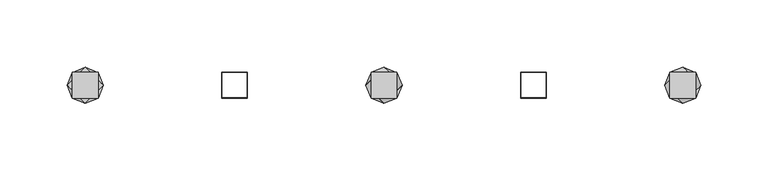
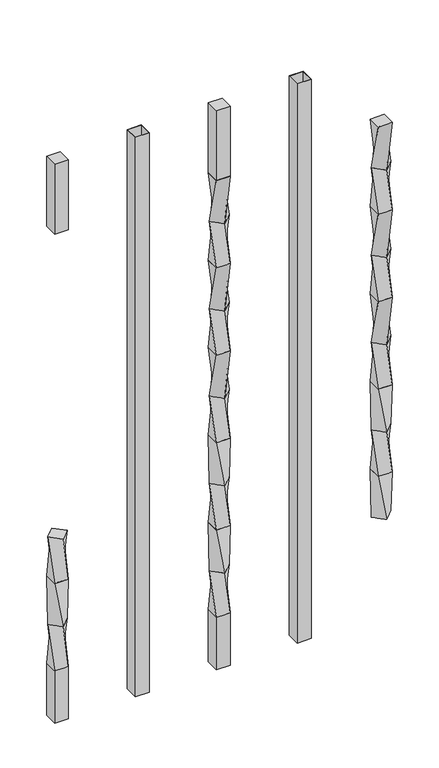
"""IFC4 building model written with IfcOpenShell, lengths in millimetres: railing geometry."""

from ifc_helpers import new_model, si_unit, frame, origin, place, context, project, spatial, polyline, outline, extrude, source, transform, mapped, element, save
from ifc_brep_helpers import plane_surface, spline_surface, advanced_brep


def railing_43d77773(model_context):
    return source(origin(), model_context, "Body", "SolidModel", [
        advanced_brep(
        [(17648.1878122, -60563.4367982, 368.2958781), (17661.6581964, -60549.966414, 368.2958781), (17648.1878122, -60536.4960298, 368.2958781), (17634.717428, -60549.966414, 368.2958781), (17657.7128122, -60559.491414, 304.7958781), (17638.6628122, -60559.491414, 304.7958781), (17638.6628122, -60540.441414, 304.7958781), (17657.7128122, -60540.441414, 304.7958781)],
        [
            (0, 1),
            (1, 2),
            (2, 3),
            (3, 0),
            (4, 5),
            (5, 6),
            (6, 7),
            (7, 4),
            (7, 1),
            (0, 4),
            (6, 2),
            (5, 3),
        ],
        [
            plane_surface(frame((17648.1878122, -60549.966414, 368.2958781), z_axis=(0.0, 0.0, 1.0), x_axis=(0.7071067811865477, -0.7071067811865475, 0.0))),
            plane_surface(frame((17648.1878122, -60549.966414, 304.7958781), z_axis=(0.0, 0.0, -1.0), x_axis=(0.7071067811865477, -0.7071067811865475, 0.0))),
            spline_surface(1, 1, [[(17657.7128122, -60559.491414, 304.7958781), (17648.1878122, -60563.4367982, 368.2958781)], [(17657.7128122, -60540.441414, 304.7958781), (17661.6581964, -60549.966414, 368.2958781)]], [2, 2], [2, 2], [0.0, 1.0], [0.0, 1.0]),
            spline_surface(1, 1, [[(17657.7128122, -60540.441414, 304.7958781), (17661.6581964, -60549.966414, 368.2958781)], [(17638.6628122, -60540.441414, 304.7958781), (17648.1878122, -60536.4960298, 368.2958781)]], [2, 2], [2, 2], [0.0, 1.0], [0.0, 1.0]),
            spline_surface(1, 1, [[(17638.6628122, -60540.441414, 304.7958781), (17648.1878122, -60536.4960298, 368.2958781)], [(17638.6628122, -60559.491414, 304.7958781), (17634.717428, -60549.966414, 368.2958781)]], [2, 2], [2, 2], [0.0, 1.0], [0.0, 1.0]),
            spline_surface(1, 1, [[(17638.6628122, -60559.491414, 304.7958781), (17634.717428, -60549.966414, 368.2958781)], [(17657.7128122, -60559.491414, 304.7958781), (17648.1878122, -60563.4367982, 368.2958781)]], [2, 2], [2, 2], [0.0, 1.0], [0.0, 1.0]),
        ],
        [
            (0, [[1, 2, 3, 4]]),
            (1, [[5, 6, 7, 8]]),
            (2, [[-8, 9, -1, 10]]),
            (3, [[-7, 11, -2, -9]]),
            (4, [[-6, 12, -3, -11]]),
            (5, [[-5, -10, -4, -12]]),
        ],
    ),
        advanced_brep(
        [(17657.7128122, -60559.491414, 304.7958781), (17657.7128122, -60540.441414, 304.7958781), (17638.6628122, -60540.441414, 304.7958781), (17638.6628122, -60559.491414, 304.7958781), (17661.6581964, -60549.966414, 241.2958781), (17648.1878122, -60563.4367982, 241.2958781), (17634.717428, -60549.966414, 241.2958781), (17648.1878122, -60536.4960298, 241.2958781)],
        [
            (0, 1),
            (1, 2),
            (2, 3),
            (3, 0),
            (4, 5),
            (5, 6),
            (6, 7),
            (7, 4),
            (7, 1),
            (0, 4),
            (6, 2),
            (5, 3),
        ],
        [
            plane_surface(frame((17648.1878122, -60549.966414, 304.7958781), z_axis=(0.0, 0.0, 1.0), x_axis=(0.0, 1.0, 0.0))),
            plane_surface(frame((17648.1878122, -60549.966414, 241.2958781), z_axis=(0.0, 0.0, -1.0), x_axis=(0.0, 1.0, 0.0))),
            spline_surface(1, 1, [[(17661.6581964, -60549.966414, 241.2958781), (17657.7128122, -60559.491414, 304.7958781)], [(17648.1878122, -60536.4960298, 241.2958781), (17657.7128122, -60540.441414, 304.7958781)]], [2, 2], [2, 2], [0.0, 1.0], [0.0, 1.0]),
            spline_surface(1, 1, [[(17648.1878122, -60536.4960298, 241.2958781), (17657.7128122, -60540.441414, 304.7958781)], [(17634.717428, -60549.966414, 241.2958781), (17638.6628122, -60540.441414, 304.7958781)]], [2, 2], [2, 2], [0.0, 1.0], [0.0, 1.0]),
            spline_surface(1, 1, [[(17634.717428, -60549.966414, 241.2958781), (17638.6628122, -60540.441414, 304.7958781)], [(17648.1878122, -60563.4367982, 241.2958781), (17638.6628122, -60559.491414, 304.7958781)]], [2, 2], [2, 2], [0.0, 1.0], [0.0, 1.0]),
            spline_surface(1, 1, [[(17648.1878122, -60563.4367982, 241.2958781), (17638.6628122, -60559.491414, 304.7958781)], [(17661.6581964, -60549.966414, 241.2958781), (17657.7128122, -60559.491414, 304.7958781)]], [2, 2], [2, 2], [0.0, 1.0], [0.0, 1.0]),
        ],
        [
            (0, [[1, 2, 3, 4]]),
            (1, [[5, 6, 7, 8]]),
            (2, [[-8, 9, -1, 10]]),
            (3, [[-7, 11, -2, -9]]),
            (4, [[-6, 12, -3, -11]]),
            (5, [[-5, -10, -4, -12]]),
        ],
    ),
        advanced_brep(
        [(17648.1878122, -60563.4367982, 241.2958781), (17661.6581964, -60549.966414, 241.2958781), (17648.1878122, -60536.4960298, 241.2958781), (17634.717428, -60549.966414, 241.2958781), (17657.7128122, -60559.491414, 177.7958781), (17638.6628122, -60559.491414, 177.7958781), (17638.6628122, -60540.441414, 177.7958781), (17657.7128122, -60540.441414, 177.7958781)],
        [
            (0, 1),
            (1, 2),
            (2, 3),
            (3, 0),
            (4, 5),
            (5, 6),
            (6, 7),
            (7, 4),
            (7, 1),
            (0, 4),
            (6, 2),
            (5, 3),
        ],
        [
            plane_surface(frame((17648.1878122, -60549.966414, 241.2958781), z_axis=(0.0, 0.0, 1.0), x_axis=(0.7071067811865478, 0.7071067811865474, 0.0))),
            plane_surface(frame((17648.1878122, -60549.966414, 177.7958781), z_axis=(0.0, 0.0, -1.0), x_axis=(0.7071067811865478, 0.7071067811865474, 0.0))),
            spline_surface(1, 1, [[(17657.7128122, -60559.491414, 177.7958781), (17648.1878122, -60563.4367982, 241.2958781)], [(17657.7128122, -60540.441414, 177.7958781), (17661.6581964, -60549.966414, 241.2958781)]], [2, 2], [2, 2], [0.0, 1.0], [0.0, 1.0]),
            spline_surface(1, 1, [[(17657.7128122, -60540.441414, 177.7958781), (17661.6581964, -60549.966414, 241.2958781)], [(17638.6628122, -60540.441414, 177.7958781), (17648.1878122, -60536.4960298, 241.2958781)]], [2, 2], [2, 2], [0.0, 1.0], [0.0, 1.0]),
            spline_surface(1, 1, [[(17638.6628122, -60540.441414, 177.7958781), (17648.1878122, -60536.4960298, 241.2958781)], [(17638.6628122, -60559.491414, 177.7958781), (17634.717428, -60549.966414, 241.2958781)]], [2, 2], [2, 2], [0.0, 1.0], [0.0, 1.0]),
            spline_surface(1, 1, [[(17638.6628122, -60559.491414, 177.7958781), (17634.717428, -60549.966414, 241.2958781)], [(17657.7128122, -60559.491414, 177.7958781), (17648.1878122, -60563.4367982, 241.2958781)]], [2, 2], [2, 2], [0.0, 1.0], [0.0, 1.0]),
        ],
        [
            (0, [[1, 2, 3, 4]]),
            (1, [[5, 6, 7, 8]]),
            (2, [[-8, 9, -1, 10]]),
            (3, [[-7, 11, -2, -9]]),
            (4, [[-6, 12, -3, -11]]),
            (5, [[-5, -10, -4, -12]]),
        ],
    ),
        extrude(outline(polyline([(17657.7128122, -60559.491414), (17638.6628122, -60559.491414), (17638.6628122, -60540.441414), (17657.7128122, -60540.441414), (17657.7128122, -60559.491414)])), frame((0.0, 0.0, 812.7958781), z_axis=(0.0, 0.0, 1.0), x_axis=(1.0, 0.0, 0.0)), (0.0, 0.0, 1.0), 101.6041219),
        extrude(outline(polyline([(17657.7128122, -60559.491414), (17638.6628122, -60559.491414), (17638.6628122, -60540.441414), (17657.7128122, -60540.441414), (17657.7128122, -60559.491414)])), frame((0.0, 0.0, 101.5958781), z_axis=(0.0, 0.0, 1.0), x_axis=(1.0, 0.0, 0.0)), (0.0, 0.0, 1.0), 76.2),
        extrude(outline(polyline([(17768.9648122, -60559.491414), (17749.9148122, -60559.491414), (17749.9148122, -60540.441414), (17768.9648122, -60540.441414), (17768.9648122, -60559.491414)]), holes=[polyline([(17768.5679372, -60559.094539), (17768.5679372, -60540.838289), (17750.3116872, -60540.838289), (17750.3116872, -60559.094539), (17768.5679372, -60559.094539)])]), frame((0.0, 0.0, 101.5958781), z_axis=(0.0, 0.0, 1.0), x_axis=(1.0, 0.0, 0.0)), (0.0, 0.0, 1.0), 812.8041219),
        advanced_brep(
        [(17861.1668122, -60559.491414, 812.7958781), (17880.2168122, -60559.491414, 812.7958781), (17880.2168122, -60540.441414, 812.7958781), (17861.1668122, -60540.441414, 812.7958781), (17857.221428, -60549.966414, 749.2958781), (17870.6918122, -60536.4960298, 749.2958781), (17884.1621964, -60549.966414, 749.2958781), (17870.6918122, -60563.4367982, 749.2958781)],
        [
            (0, 1),
            (1, 2),
            (2, 3),
            (3, 0),
            (4, 5),
            (5, 6),
            (6, 7),
            (7, 4),
            (7, 1),
            (0, 4),
            (6, 2),
            (5, 3),
        ],
        [
            plane_surface(frame((17870.6918122, -60549.966414, 812.7958781), z_axis=(0.0, 0.0, 1.0), x_axis=(0.0, 1.0, 0.0))),
            plane_surface(frame((17870.6918122, -60549.966414, 749.2958781), z_axis=(0.0, 0.0, -1.0), x_axis=(0.0, 1.0, 0.0))),
            spline_surface(1, 1, [[(17857.221428, -60549.966414, 749.2958781), (17861.1668122, -60559.491414, 812.7958781)], [(17870.6918122, -60563.4367982, 749.2958781), (17880.2168122, -60559.491414, 812.7958781)]], [2, 2], [2, 2], [0.0, 1.0], [0.0, 1.0]),
            spline_surface(1, 1, [[(17870.6918122, -60563.4367982, 749.2958781), (17880.2168122, -60559.491414, 812.7958781)], [(17884.1621964, -60549.966414, 749.2958781), (17880.2168122, -60540.441414, 812.7958781)]], [2, 2], [2, 2], [0.0, 1.0], [0.0, 1.0]),
            spline_surface(1, 1, [[(17884.1621964, -60549.966414, 749.2958781), (17880.2168122, -60540.441414, 812.7958781)], [(17870.6918122, -60536.4960298, 749.2958781), (17861.1668122, -60540.441414, 812.7958781)]], [2, 2], [2, 2], [0.0, 1.0], [0.0, 1.0]),
            spline_surface(1, 1, [[(17870.6918122, -60536.4960298, 749.2958781), (17861.1668122, -60540.441414, 812.7958781)], [(17857.221428, -60549.966414, 749.2958781), (17861.1668122, -60559.491414, 812.7958781)]], [2, 2], [2, 2], [0.0, 1.0], [0.0, 1.0]),
        ],
        [
            (0, [[1, 2, 3, 4]]),
            (1, [[5, 6, 7, 8]]),
            (2, [[-8, 9, -1, 10]]),
            (3, [[-7, 11, -2, -9]]),
            (4, [[-6, 12, -3, -11]]),
            (5, [[-5, -10, -4, -12]]),
        ],
    ),
        advanced_brep(
        [(17870.6918122, -60563.4367982, 749.2958781), (17884.1621964, -60549.966414, 749.2958781), (17870.6918122, -60536.4960298, 749.2958781), (17857.221428, -60549.966414, 749.2958781), (17880.2168122, -60559.491414, 685.7958781), (17861.1668122, -60559.491414, 685.7958781), (17861.1668122, -60540.441414, 685.7958781), (17880.2168122, -60540.441414, 685.7958781)],
        [
            (0, 1),
            (1, 2),
            (2, 3),
            (3, 0),
            (4, 5),
            (5, 6),
            (6, 7),
            (7, 4),
            (7, 1),
            (0, 4),
            (6, 2),
            (5, 3),
        ],
        [
            plane_surface(frame((17870.6918122, -60549.966414, 749.2958781), z_axis=(0.0, 0.0, 1.0), x_axis=(0.7071067811865477, -0.7071067811865474, 0.0))),
            plane_surface(frame((17870.6918122, -60549.966414, 685.7958781), z_axis=(0.0, 0.0, -1.0), x_axis=(0.7071067811865477, -0.7071067811865474, 0.0))),
            spline_surface(1, 1, [[(17880.2168122, -60559.491414, 685.7958781), (17870.6918122, -60563.4367982, 749.2958781)], [(17880.2168122, -60540.441414, 685.7958781), (17884.1621964, -60549.966414, 749.2958781)]], [2, 2], [2, 2], [0.0, 1.0], [0.0, 1.0]),
            spline_surface(1, 1, [[(17880.2168122, -60540.441414, 685.7958781), (17884.1621964, -60549.966414, 749.2958781)], [(17861.1668122, -60540.441414, 685.7958781), (17870.6918122, -60536.4960298, 749.2958781)]], [2, 2], [2, 2], [0.0, 1.0], [0.0, 1.0]),
            spline_surface(1, 1, [[(17861.1668122, -60540.441414, 685.7958781), (17870.6918122, -60536.4960298, 749.2958781)], [(17861.1668122, -60559.491414, 685.7958781), (17857.221428, -60549.966414, 749.2958781)]], [2, 2], [2, 2], [0.0, 1.0], [0.0, 1.0]),
            spline_surface(1, 1, [[(17861.1668122, -60559.491414, 685.7958781), (17857.221428, -60549.966414, 749.2958781)], [(17880.2168122, -60559.491414, 685.7958781), (17870.6918122, -60563.4367982, 749.2958781)]], [2, 2], [2, 2], [0.0, 1.0], [0.0, 1.0]),
        ],
        [
            (0, [[1, 2, 3, 4]]),
            (1, [[5, 6, 7, 8]]),
            (2, [[-8, 9, -1, 10]]),
            (3, [[-7, 11, -2, -9]]),
            (4, [[-6, 12, -3, -11]]),
            (5, [[-5, -10, -4, -12]]),
        ],
    ),
        advanced_brep(
        [(17861.1668122, -60559.491414, 685.7958781), (17880.2168122, -60559.491414, 685.7958781), (17880.2168122, -60540.441414, 685.7958781), (17861.1668122, -60540.441414, 685.7958781), (17857.221428, -60549.966414, 622.2958781), (17870.6918122, -60536.4960298, 622.2958781), (17884.1621964, -60549.966414, 622.2958781), (17870.6918122, -60563.4367982, 622.2958781)],
        [
            (0, 1),
            (1, 2),
            (2, 3),
            (3, 0),
            (4, 5),
            (5, 6),
            (6, 7),
            (7, 4),
            (7, 1),
            (0, 4),
            (6, 2),
            (5, 3),
        ],
        [
            plane_surface(frame((17870.6918122, -60549.966414, 685.7958781), z_axis=(0.0, 0.0, 1.0), x_axis=(0.0, 1.0, 0.0))),
            plane_surface(frame((17870.6918122, -60549.966414, 622.2958781), z_axis=(0.0, 0.0, -1.0), x_axis=(0.0, 1.0, 0.0))),
            spline_surface(1, 1, [[(17857.221428, -60549.966414, 622.2958781), (17861.1668122, -60559.491414, 685.7958781)], [(17870.6918122, -60563.4367982, 622.2958781), (17880.2168122, -60559.491414, 685.7958781)]], [2, 2], [2, 2], [0.0, 1.0], [0.0, 1.0]),
            spline_surface(1, 1, [[(17870.6918122, -60563.4367982, 622.2958781), (17880.2168122, -60559.491414, 685.7958781)], [(17884.1621964, -60549.966414, 622.2958781), (17880.2168122, -60540.441414, 685.7958781)]], [2, 2], [2, 2], [0.0, 1.0], [0.0, 1.0]),
            spline_surface(1, 1, [[(17884.1621964, -60549.966414, 622.2958781), (17880.2168122, -60540.441414, 685.7958781)], [(17870.6918122, -60536.4960298, 622.2958781), (17861.1668122, -60540.441414, 685.7958781)]], [2, 2], [2, 2], [0.0, 1.0], [0.0, 1.0]),
            spline_surface(1, 1, [[(17870.6918122, -60536.4960298, 622.2958781), (17861.1668122, -60540.441414, 685.7958781)], [(17857.221428, -60549.966414, 622.2958781), (17861.1668122, -60559.491414, 685.7958781)]], [2, 2], [2, 2], [0.0, 1.0], [0.0, 1.0]),
        ],
        [
            (0, [[1, 2, 3, 4]]),
            (1, [[5, 6, 7, 8]]),
            (2, [[-8, 9, -1, 10]]),
            (3, [[-7, 11, -2, -9]]),
            (4, [[-6, 12, -3, -11]]),
            (5, [[-5, -10, -4, -12]]),
        ],
    ),
        advanced_brep(
        [(17870.6918122, -60563.4367982, 622.2958781), (17884.1621964, -60549.966414, 622.2958781), (17870.6918122, -60536.4960298, 622.2958781), (17857.221428, -60549.966414, 622.2958781), (17880.2168122, -60559.491414, 558.7958781), (17861.1668122, -60559.491414, 558.7958781), (17861.1668122, -60540.441414, 558.7958781), (17880.2168122, -60540.441414, 558.7958781)],
        [
            (0, 1),
            (1, 2),
            (2, 3),
            (3, 0),
            (4, 5),
            (5, 6),
            (6, 7),
            (7, 4),
            (7, 1),
            (0, 4),
            (6, 2),
            (5, 3),
        ],
        [
            plane_surface(frame((17870.6918122, -60549.966414, 622.2958781), z_axis=(0.0, 0.0, 1.0), x_axis=(0.7071067811865477, -0.7071067811865475, 0.0))),
            plane_surface(frame((17870.6918122, -60549.966414, 558.7958781), z_axis=(0.0, 0.0, -1.0), x_axis=(0.7071067811865477, -0.7071067811865475, 0.0))),
            spline_surface(1, 1, [[(17880.2168122, -60559.491414, 558.7958781), (17870.6918122, -60563.4367982, 622.2958781)], [(17880.2168122, -60540.441414, 558.7958781), (17884.1621964, -60549.966414, 622.2958781)]], [2, 2], [2, 2], [0.0, 1.0], [0.0, 1.0]),
            spline_surface(1, 1, [[(17880.2168122, -60540.441414, 558.7958781), (17884.1621964, -60549.966414, 622.2958781)], [(17861.1668122, -60540.441414, 558.7958781), (17870.6918122, -60536.4960298, 622.2958781)]], [2, 2], [2, 2], [0.0, 1.0], [0.0, 1.0]),
            spline_surface(1, 1, [[(17861.1668122, -60540.441414, 558.7958781), (17870.6918122, -60536.4960298, 622.2958781)], [(17861.1668122, -60559.491414, 558.7958781), (17857.221428, -60549.966414, 622.2958781)]], [2, 2], [2, 2], [0.0, 1.0], [0.0, 1.0]),
            spline_surface(1, 1, [[(17861.1668122, -60559.491414, 558.7958781), (17857.221428, -60549.966414, 622.2958781)], [(17880.2168122, -60559.491414, 558.7958781), (17870.6918122, -60563.4367982, 622.2958781)]], [2, 2], [2, 2], [0.0, 1.0], [0.0, 1.0]),
        ],
        [
            (0, [[1, 2, 3, 4]]),
            (1, [[5, 6, 7, 8]]),
            (2, [[-8, 9, -1, 10]]),
            (3, [[-7, 11, -2, -9]]),
            (4, [[-6, 12, -3, -11]]),
            (5, [[-5, -10, -4, -12]]),
        ],
    ),
        advanced_brep(
        [(17861.1668122, -60559.491414, 558.7958781), (17880.2168122, -60559.491414, 558.7958781), (17880.2168122, -60540.441414, 558.7958781), (17861.1668122, -60540.441414, 558.7958781), (17857.221428, -60549.966414, 495.2958781), (17870.6918122, -60536.4960298, 495.2958781), (17884.1621964, -60549.966414, 495.2958781), (17870.6918122, -60563.4367982, 495.2958781)],
        [
            (0, 1),
            (1, 2),
            (2, 3),
            (3, 0),
            (4, 5),
            (5, 6),
            (6, 7),
            (7, 4),
            (7, 1),
            (0, 4),
            (6, 2),
            (5, 3),
        ],
        [
            plane_surface(frame((17870.6918122, -60549.966414, 558.7958781), z_axis=(0.0, 0.0, 1.0), x_axis=(0.0, 1.0, 0.0))),
            plane_surface(frame((17870.6918122, -60549.966414, 495.2958781), z_axis=(0.0, 0.0, -1.0), x_axis=(0.0, 1.0, 0.0))),
            spline_surface(1, 1, [[(17857.221428, -60549.966414, 495.2958781), (17861.1668122, -60559.491414, 558.7958781)], [(17870.6918122, -60563.4367982, 495.2958781), (17880.2168122, -60559.491414, 558.7958781)]], [2, 2], [2, 2], [0.0, 1.0], [0.0, 1.0]),
            spline_surface(1, 1, [[(17870.6918122, -60563.4367982, 495.2958781), (17880.2168122, -60559.491414, 558.7958781)], [(17884.1621964, -60549.966414, 495.2958781), (17880.2168122, -60540.441414, 558.7958781)]], [2, 2], [2, 2], [0.0, 1.0], [0.0, 1.0]),
            spline_surface(1, 1, [[(17884.1621964, -60549.966414, 495.2958781), (17880.2168122, -60540.441414, 558.7958781)], [(17870.6918122, -60536.4960298, 495.2958781), (17861.1668122, -60540.441414, 558.7958781)]], [2, 2], [2, 2], [0.0, 1.0], [0.0, 1.0]),
            spline_surface(1, 1, [[(17870.6918122, -60536.4960298, 495.2958781), (17861.1668122, -60540.441414, 558.7958781)], [(17857.221428, -60549.966414, 495.2958781), (17861.1668122, -60559.491414, 558.7958781)]], [2, 2], [2, 2], [0.0, 1.0], [0.0, 1.0]),
        ],
        [
            (0, [[1, 2, 3, 4]]),
            (1, [[5, 6, 7, 8]]),
            (2, [[-8, 9, -1, 10]]),
            (3, [[-7, 11, -2, -9]]),
            (4, [[-6, 12, -3, -11]]),
            (5, [[-5, -10, -4, -12]]),
        ],
    ),
        advanced_brep(
        [(17870.6918122, -60563.4367982, 495.2958781), (17884.1621964, -60549.966414, 495.2958781), (17870.6918122, -60536.4960298, 495.2958781), (17857.221428, -60549.966414, 495.2958781), (17880.2168122, -60559.491414, 431.7958781), (17861.1668122, -60559.491414, 431.7958781), (17861.1668122, -60540.441414, 431.7958781), (17880.2168122, -60540.441414, 431.7958781)],
        [
            (0, 1),
            (1, 2),
            (2, 3),
            (3, 0),
            (4, 5),
            (5, 6),
            (6, 7),
            (7, 4),
            (7, 1),
            (0, 4),
            (6, 2),
            (5, 3),
        ],
        [
            plane_surface(frame((17870.6918122, -60549.966414, 495.2958781), z_axis=(0.0, 0.0, 1.0), x_axis=(0.7071067811865477, -0.7071067811865474, 0.0))),
            plane_surface(frame((17870.6918122, -60549.966414, 431.7958781), z_axis=(0.0, 0.0, -1.0), x_axis=(0.7071067811865477, -0.7071067811865474, 0.0))),
            spline_surface(1, 1, [[(17880.2168122, -60559.491414, 431.7958781), (17870.6918122, -60563.4367982, 495.2958781)], [(17880.2168122, -60540.441414, 431.7958781), (17884.1621964, -60549.966414, 495.2958781)]], [2, 2], [2, 2], [0.0, 1.0], [0.0, 1.0]),
            spline_surface(1, 1, [[(17880.2168122, -60540.441414, 431.7958781), (17884.1621964, -60549.966414, 495.2958781)], [(17861.1668122, -60540.441414, 431.7958781), (17870.6918122, -60536.4960298, 495.2958781)]], [2, 2], [2, 2], [0.0, 1.0], [0.0, 1.0]),
            spline_surface(1, 1, [[(17861.1668122, -60540.441414, 431.7958781), (17870.6918122, -60536.4960298, 495.2958781)], [(17861.1668122, -60559.491414, 431.7958781), (17857.221428, -60549.966414, 495.2958781)]], [2, 2], [2, 2], [0.0, 1.0], [0.0, 1.0]),
            spline_surface(1, 1, [[(17861.1668122, -60559.491414, 431.7958781), (17857.221428, -60549.966414, 495.2958781)], [(17880.2168122, -60559.491414, 431.7958781), (17870.6918122, -60563.4367982, 495.2958781)]], [2, 2], [2, 2], [0.0, 1.0], [0.0, 1.0]),
        ],
        [
            (0, [[1, 2, 3, 4]]),
            (1, [[5, 6, 7, 8]]),
            (2, [[-8, 9, -1, 10]]),
            (3, [[-7, 11, -2, -9]]),
            (4, [[-6, 12, -3, -11]]),
            (5, [[-5, -10, -4, -12]]),
        ],
    ),
        advanced_brep(
        [(17880.2168122, -60559.491414, 431.7958781), (17880.2168122, -60540.441414, 431.7958781), (17861.1668122, -60540.441414, 431.7958781), (17861.1668122, -60559.491414, 431.7958781), (17884.1621964, -60549.966414, 368.2958781), (17870.6918122, -60563.4367982, 368.2958781), (17857.221428, -60549.966414, 368.2958781), (17870.6918122, -60536.4960298, 368.2958781)],
        [
            (0, 1),
            (1, 2),
            (2, 3),
            (3, 0),
            (4, 5),
            (5, 6),
            (6, 7),
            (7, 4),
            (7, 1),
            (0, 4),
            (6, 2),
            (5, 3),
        ],
        [
            plane_surface(frame((17870.6918122, -60549.966414, 431.7958781), z_axis=(0.0, 0.0, 1.0), x_axis=(0.0, 1.0, 0.0))),
            plane_surface(frame((17870.6918122, -60549.966414, 368.2958781), z_axis=(0.0, 0.0, -1.0), x_axis=(0.0, 1.0, 0.0))),
            spline_surface(1, 1, [[(17884.1621964, -60549.966414, 368.2958781), (17880.2168122, -60559.491414, 431.7958781)], [(17870.6918122, -60536.4960298, 368.2958781), (17880.2168122, -60540.441414, 431.7958781)]], [2, 2], [2, 2], [0.0, 1.0], [0.0, 1.0]),
            spline_surface(1, 1, [[(17870.6918122, -60536.4960298, 368.2958781), (17880.2168122, -60540.441414, 431.7958781)], [(17857.221428, -60549.966414, 368.2958781), (17861.1668122, -60540.441414, 431.7958781)]], [2, 2], [2, 2], [0.0, 1.0], [0.0, 1.0]),
            spline_surface(1, 1, [[(17857.221428, -60549.966414, 368.2958781), (17861.1668122, -60540.441414, 431.7958781)], [(17870.6918122, -60563.4367982, 368.2958781), (17861.1668122, -60559.491414, 431.7958781)]], [2, 2], [2, 2], [0.0, 1.0], [0.0, 1.0]),
            spline_surface(1, 1, [[(17870.6918122, -60563.4367982, 368.2958781), (17861.1668122, -60559.491414, 431.7958781)], [(17884.1621964, -60549.966414, 368.2958781), (17880.2168122, -60559.491414, 431.7958781)]], [2, 2], [2, 2], [0.0, 1.0], [0.0, 1.0]),
        ],
        [
            (0, [[1, 2, 3, 4]]),
            (1, [[5, 6, 7, 8]]),
            (2, [[-8, 9, -1, 10]]),
            (3, [[-7, 11, -2, -9]]),
            (4, [[-6, 12, -3, -11]]),
            (5, [[-5, -10, -4, -12]]),
        ],
    ),
        advanced_brep(
        [(17870.6918122, -60563.4367982, 368.2958781), (17884.1621964, -60549.966414, 368.2958781), (17870.6918122, -60536.4960298, 368.2958781), (17857.221428, -60549.966414, 368.2958781), (17880.2168122, -60559.491414, 304.7958781), (17861.1668122, -60559.491414, 304.7958781), (17861.1668122, -60540.441414, 304.7958781), (17880.2168122, -60540.441414, 304.7958781)],
        [
            (0, 1),
            (1, 2),
            (2, 3),
            (3, 0),
            (4, 5),
            (5, 6),
            (6, 7),
            (7, 4),
            (7, 1),
            (0, 4),
            (6, 2),
            (5, 3),
        ],
        [
            plane_surface(frame((17870.6918122, -60549.966414, 368.2958781), z_axis=(0.0, 0.0, 1.0), x_axis=(0.7071067811865477, -0.7071067811865475, 0.0))),
            plane_surface(frame((17870.6918122, -60549.966414, 304.7958781), z_axis=(0.0, 0.0, -1.0), x_axis=(0.7071067811865477, -0.7071067811865475, 0.0))),
            spline_surface(1, 1, [[(17880.2168122, -60559.491414, 304.7958781), (17870.6918122, -60563.4367982, 368.2958781)], [(17880.2168122, -60540.441414, 304.7958781), (17884.1621964, -60549.966414, 368.2958781)]], [2, 2], [2, 2], [0.0, 1.0], [0.0, 1.0]),
            spline_surface(1, 1, [[(17880.2168122, -60540.441414, 304.7958781), (17884.1621964, -60549.966414, 368.2958781)], [(17861.1668122, -60540.441414, 304.7958781), (17870.6918122, -60536.4960298, 368.2958781)]], [2, 2], [2, 2], [0.0, 1.0], [0.0, 1.0]),
            spline_surface(1, 1, [[(17861.1668122, -60540.441414, 304.7958781), (17870.6918122, -60536.4960298, 368.2958781)], [(17861.1668122, -60559.491414, 304.7958781), (17857.221428, -60549.966414, 368.2958781)]], [2, 2], [2, 2], [0.0, 1.0], [0.0, 1.0]),
            spline_surface(1, 1, [[(17861.1668122, -60559.491414, 304.7958781), (17857.221428, -60549.966414, 368.2958781)], [(17880.2168122, -60559.491414, 304.7958781), (17870.6918122, -60563.4367982, 368.2958781)]], [2, 2], [2, 2], [0.0, 1.0], [0.0, 1.0]),
        ],
        [
            (0, [[1, 2, 3, 4]]),
            (1, [[5, 6, 7, 8]]),
            (2, [[-8, 9, -1, 10]]),
            (3, [[-7, 11, -2, -9]]),
            (4, [[-6, 12, -3, -11]]),
            (5, [[-5, -10, -4, -12]]),
        ],
    ),
        advanced_brep(
        [(17880.2168122, -60559.491414, 304.7958781), (17880.2168122, -60540.441414, 304.7958781), (17861.1668122, -60540.441414, 304.7958781), (17861.1668122, -60559.491414, 304.7958781), (17884.1621964, -60549.966414, 241.2958781), (17870.6918122, -60563.4367982, 241.2958781), (17857.221428, -60549.966414, 241.2958781), (17870.6918122, -60536.4960298, 241.2958781)],
        [
            (0, 1),
            (1, 2),
            (2, 3),
            (3, 0),
            (4, 5),
            (5, 6),
            (6, 7),
            (7, 4),
            (7, 1),
            (0, 4),
            (6, 2),
            (5, 3),
        ],
        [
            plane_surface(frame((17870.6918122, -60549.966414, 304.7958781), z_axis=(0.0, 0.0, 1.0), x_axis=(0.0, 1.0, 0.0))),
            plane_surface(frame((17870.6918122, -60549.966414, 241.2958781), z_axis=(0.0, 0.0, -1.0), x_axis=(0.0, 1.0, 0.0))),
            spline_surface(1, 1, [[(17884.1621964, -60549.966414, 241.2958781), (17880.2168122, -60559.491414, 304.7958781)], [(17870.6918122, -60536.4960298, 241.2958781), (17880.2168122, -60540.441414, 304.7958781)]], [2, 2], [2, 2], [0.0, 1.0], [0.0, 1.0]),
            spline_surface(1, 1, [[(17870.6918122, -60536.4960298, 241.2958781), (17880.2168122, -60540.441414, 304.7958781)], [(17857.221428, -60549.966414, 241.2958781), (17861.1668122, -60540.441414, 304.7958781)]], [2, 2], [2, 2], [0.0, 1.0], [0.0, 1.0]),
            spline_surface(1, 1, [[(17857.221428, -60549.966414, 241.2958781), (17861.1668122, -60540.441414, 304.7958781)], [(17870.6918122, -60563.4367982, 241.2958781), (17861.1668122, -60559.491414, 304.7958781)]], [2, 2], [2, 2], [0.0, 1.0], [0.0, 1.0]),
            spline_surface(1, 1, [[(17870.6918122, -60563.4367982, 241.2958781), (17861.1668122, -60559.491414, 304.7958781)], [(17884.1621964, -60549.966414, 241.2958781), (17880.2168122, -60559.491414, 304.7958781)]], [2, 2], [2, 2], [0.0, 1.0], [0.0, 1.0]),
        ],
        [
            (0, [[1, 2, 3, 4]]),
            (1, [[5, 6, 7, 8]]),
            (2, [[-8, 9, -1, 10]]),
            (3, [[-7, 11, -2, -9]]),
            (4, [[-6, 12, -3, -11]]),
            (5, [[-5, -10, -4, -12]]),
        ],
    ),
        advanced_brep(
        [(17870.6918122, -60563.4367982, 241.2958781), (17884.1621964, -60549.966414, 241.2958781), (17870.6918122, -60536.4960298, 241.2958781), (17857.221428, -60549.966414, 241.2958781), (17880.2168122, -60559.491414, 177.7958781), (17861.1668122, -60559.491414, 177.7958781), (17861.1668122, -60540.441414, 177.7958781), (17880.2168122, -60540.441414, 177.7958781)],
        [
            (0, 1),
            (1, 2),
            (2, 3),
            (3, 0),
            (4, 5),
            (5, 6),
            (6, 7),
            (7, 4),
            (7, 1),
            (0, 4),
            (6, 2),
            (5, 3),
        ],
        [
            plane_surface(frame((17870.6918122, -60549.966414, 241.2958781), z_axis=(0.0, 0.0, 1.0), x_axis=(0.7071067811865478, 0.7071067811865474, 0.0))),
            plane_surface(frame((17870.6918122, -60549.966414, 177.7958781), z_axis=(0.0, 0.0, -1.0), x_axis=(0.7071067811865478, 0.7071067811865474, 0.0))),
            spline_surface(1, 1, [[(17880.2168122, -60559.491414, 177.7958781), (17870.6918122, -60563.4367982, 241.2958781)], [(17880.2168122, -60540.441414, 177.7958781), (17884.1621964, -60549.966414, 241.2958781)]], [2, 2], [2, 2], [0.0, 1.0], [0.0, 1.0]),
            spline_surface(1, 1, [[(17880.2168122, -60540.441414, 177.7958781), (17884.1621964, -60549.966414, 241.2958781)], [(17861.1668122, -60540.441414, 177.7958781), (17870.6918122, -60536.4960298, 241.2958781)]], [2, 2], [2, 2], [0.0, 1.0], [0.0, 1.0]),
            spline_surface(1, 1, [[(17861.1668122, -60540.441414, 177.7958781), (17870.6918122, -60536.4960298, 241.2958781)], [(17861.1668122, -60559.491414, 177.7958781), (17857.221428, -60549.966414, 241.2958781)]], [2, 2], [2, 2], [0.0, 1.0], [0.0, 1.0]),
            spline_surface(1, 1, [[(17861.1668122, -60559.491414, 177.7958781), (17857.221428, -60549.966414, 241.2958781)], [(17880.2168122, -60559.491414, 177.7958781), (17870.6918122, -60563.4367982, 241.2958781)]], [2, 2], [2, 2], [0.0, 1.0], [0.0, 1.0]),
        ],
        [
            (0, [[1, 2, 3, 4]]),
            (1, [[5, 6, 7, 8]]),
            (2, [[-8, 9, -1, 10]]),
            (3, [[-7, 11, -2, -9]]),
            (4, [[-6, 12, -3, -11]]),
            (5, [[-5, -10, -4, -12]]),
        ],
    ),
        extrude(outline(polyline([(17880.2168122, -60559.491414), (17861.1668122, -60559.491414), (17861.1668122, -60540.441414), (17880.2168122, -60540.441414), (17880.2168122, -60559.491414)])), frame((0.0, 0.0, 812.7958781), z_axis=(0.0, 0.0, 1.0), x_axis=(1.0, 0.0, 0.0)), (0.0, 0.0, 1.0), 101.6041219),
        extrude(outline(polyline([(17880.2168122, -60559.491414), (17861.1668122, -60559.491414), (17861.1668122, -60540.441414), (17880.2168122, -60540.441414), (17880.2168122, -60559.491414)])), frame((0.0, 0.0, 101.5958781), z_axis=(0.0, 0.0, 1.0), x_axis=(1.0, 0.0, 0.0)), (0.0, 0.0, 1.0), 76.2),
        extrude(outline(polyline([(17991.4688122, -60559.491414), (17972.4188122, -60559.491414), (17972.4188122, -60540.441414), (17991.4688122, -60540.441414), (17991.4688122, -60559.491414)]), holes=[polyline([(17991.0719372, -60559.094539), (17991.0719372, -60540.838289), (17972.8156872, -60540.838289), (17972.8156872, -60559.094539), (17991.0719372, -60559.094539)])]), frame((0.0, 0.0, 101.5958781), z_axis=(0.0, 0.0, 1.0), x_axis=(1.0, 0.0, 0.0)), (0.0, 0.0, 1.0), 812.8041219),
        advanced_brep(
        [(18083.6708122, -60559.491414, 812.7958781), (18102.7208122, -60559.491414, 812.7958781), (18102.7208122, -60540.441414, 812.7958781), (18083.6708122, -60540.441414, 812.7958781), (18079.725428, -60549.966414, 749.2958781), (18093.1958122, -60536.4960298, 749.2958781), (18106.6661964, -60549.966414, 749.2958781), (18093.1958122, -60563.4367982, 749.2958781)],
        [
            (0, 1),
            (1, 2),
            (2, 3),
            (3, 0),
            (4, 5),
            (5, 6),
            (6, 7),
            (7, 4),
            (7, 1),
            (0, 4),
            (6, 2),
            (5, 3),
        ],
        [
            plane_surface(frame((18093.1958122, -60549.966414, 812.7958781), z_axis=(0.0, 0.0, 1.0), x_axis=(0.0, 1.0, 0.0))),
            plane_surface(frame((18093.1958122, -60549.966414, 749.2958781), z_axis=(0.0, 0.0, -1.0), x_axis=(0.0, 1.0, 0.0))),
            spline_surface(1, 1, [[(18079.725428, -60549.966414, 749.2958781), (18083.6708122, -60559.491414, 812.7958781)], [(18093.1958122, -60563.4367982, 749.2958781), (18102.7208122, -60559.491414, 812.7958781)]], [2, 2], [2, 2], [0.0, 1.0], [0.0, 1.0]),
            spline_surface(1, 1, [[(18093.1958122, -60563.4367982, 749.2958781), (18102.7208122, -60559.491414, 812.7958781)], [(18106.6661964, -60549.966414, 749.2958781), (18102.7208122, -60540.441414, 812.7958781)]], [2, 2], [2, 2], [0.0, 1.0], [0.0, 1.0]),
            spline_surface(1, 1, [[(18106.6661964, -60549.966414, 749.2958781), (18102.7208122, -60540.441414, 812.7958781)], [(18093.1958122, -60536.4960298, 749.2958781), (18083.6708122, -60540.441414, 812.7958781)]], [2, 2], [2, 2], [0.0, 1.0], [0.0, 1.0]),
            spline_surface(1, 1, [[(18093.1958122, -60536.4960298, 749.2958781), (18083.6708122, -60540.441414, 812.7958781)], [(18079.725428, -60549.966414, 749.2958781), (18083.6708122, -60559.491414, 812.7958781)]], [2, 2], [2, 2], [0.0, 1.0], [0.0, 1.0]),
        ],
        [
            (0, [[1, 2, 3, 4]]),
            (1, [[5, 6, 7, 8]]),
            (2, [[-8, 9, -1, 10]]),
            (3, [[-7, 11, -2, -9]]),
            (4, [[-6, 12, -3, -11]]),
            (5, [[-5, -10, -4, -12]]),
        ],
    ),
        advanced_brep(
        [(18093.1958122, -60563.4367982, 749.2958781), (18106.6661964, -60549.966414, 749.2958781), (18093.1958122, -60536.4960298, 749.2958781), (18079.725428, -60549.966414, 749.2958781), (18102.7208122, -60559.491414, 685.7958781), (18083.6708122, -60559.491414, 685.7958781), (18083.6708122, -60540.441414, 685.7958781), (18102.7208122, -60540.441414, 685.7958781)],
        [
            (0, 1),
            (1, 2),
            (2, 3),
            (3, 0),
            (4, 5),
            (5, 6),
            (6, 7),
            (7, 4),
            (7, 1),
            (0, 4),
            (6, 2),
            (5, 3),
        ],
        [
            plane_surface(frame((18093.1958122, -60549.966414, 749.2958781), z_axis=(0.0, 0.0, 1.0), x_axis=(0.7071067811865477, -0.7071067811865474, 0.0))),
            plane_surface(frame((18093.1958122, -60549.966414, 685.7958781), z_axis=(0.0, 0.0, -1.0), x_axis=(0.7071067811865477, -0.7071067811865474, 0.0))),
            spline_surface(1, 1, [[(18102.7208122, -60559.491414, 685.7958781), (18093.1958122, -60563.4367982, 749.2958781)], [(18102.7208122, -60540.441414, 685.7958781), (18106.6661964, -60549.966414, 749.2958781)]], [2, 2], [2, 2], [0.0, 1.0], [0.0, 1.0]),
            spline_surface(1, 1, [[(18102.7208122, -60540.441414, 685.7958781), (18106.6661964, -60549.966414, 749.2958781)], [(18083.6708122, -60540.441414, 685.7958781), (18093.1958122, -60536.4960298, 749.2958781)]], [2, 2], [2, 2], [0.0, 1.0], [0.0, 1.0]),
            spline_surface(1, 1, [[(18083.6708122, -60540.441414, 685.7958781), (18093.1958122, -60536.4960298, 749.2958781)], [(18083.6708122, -60559.491414, 685.7958781), (18079.725428, -60549.966414, 749.2958781)]], [2, 2], [2, 2], [0.0, 1.0], [0.0, 1.0]),
            spline_surface(1, 1, [[(18083.6708122, -60559.491414, 685.7958781), (18079.725428, -60549.966414, 749.2958781)], [(18102.7208122, -60559.491414, 685.7958781), (18093.1958122, -60563.4367982, 749.2958781)]], [2, 2], [2, 2], [0.0, 1.0], [0.0, 1.0]),
        ],
        [
            (0, [[1, 2, 3, 4]]),
            (1, [[5, 6, 7, 8]]),
            (2, [[-8, 9, -1, 10]]),
            (3, [[-7, 11, -2, -9]]),
            (4, [[-6, 12, -3, -11]]),
            (5, [[-5, -10, -4, -12]]),
        ],
    ),
        advanced_brep(
        [(18083.6708122, -60559.491414, 685.7958781), (18102.7208122, -60559.491414, 685.7958781), (18102.7208122, -60540.441414, 685.7958781), (18083.6708122, -60540.441414, 685.7958781), (18079.725428, -60549.966414, 622.2958781), (18093.1958122, -60536.4960298, 622.2958781), (18106.6661964, -60549.966414, 622.2958781), (18093.1958122, -60563.4367982, 622.2958781)],
        [
            (0, 1),
            (1, 2),
            (2, 3),
            (3, 0),
            (4, 5),
            (5, 6),
            (6, 7),
            (7, 4),
            (7, 1),
            (0, 4),
            (6, 2),
            (5, 3),
        ],
        [
            plane_surface(frame((18093.1958122, -60549.966414, 685.7958781), z_axis=(0.0, 0.0, 1.0), x_axis=(0.0, 1.0, 0.0))),
            plane_surface(frame((18093.1958122, -60549.966414, 622.2958781), z_axis=(0.0, 0.0, -1.0), x_axis=(0.0, 1.0, 0.0))),
            spline_surface(1, 1, [[(18079.725428, -60549.966414, 622.2958781), (18083.6708122, -60559.491414, 685.7958781)], [(18093.1958122, -60563.4367982, 622.2958781), (18102.7208122, -60559.491414, 685.7958781)]], [2, 2], [2, 2], [0.0, 1.0], [0.0, 1.0]),
            spline_surface(1, 1, [[(18093.1958122, -60563.4367982, 622.2958781), (18102.7208122, -60559.491414, 685.7958781)], [(18106.6661964, -60549.966414, 622.2958781), (18102.7208122, -60540.441414, 685.7958781)]], [2, 2], [2, 2], [0.0, 1.0], [0.0, 1.0]),
            spline_surface(1, 1, [[(18106.6661964, -60549.966414, 622.2958781), (18102.7208122, -60540.441414, 685.7958781)], [(18093.1958122, -60536.4960298, 622.2958781), (18083.6708122, -60540.441414, 685.7958781)]], [2, 2], [2, 2], [0.0, 1.0], [0.0, 1.0]),
            spline_surface(1, 1, [[(18093.1958122, -60536.4960298, 622.2958781), (18083.6708122, -60540.441414, 685.7958781)], [(18079.725428, -60549.966414, 622.2958781), (18083.6708122, -60559.491414, 685.7958781)]], [2, 2], [2, 2], [0.0, 1.0], [0.0, 1.0]),
        ],
        [
            (0, [[1, 2, 3, 4]]),
            (1, [[5, 6, 7, 8]]),
            (2, [[-8, 9, -1, 10]]),
            (3, [[-7, 11, -2, -9]]),
            (4, [[-6, 12, -3, -11]]),
            (5, [[-5, -10, -4, -12]]),
        ],
    ),
        advanced_brep(
        [(18093.1958122, -60563.4367982, 622.2958781), (18106.6661964, -60549.966414, 622.2958781), (18093.1958122, -60536.4960298, 622.2958781), (18079.725428, -60549.966414, 622.2958781), (18102.7208122, -60559.491414, 558.7958781), (18083.6708122, -60559.491414, 558.7958781), (18083.6708122, -60540.441414, 558.7958781), (18102.7208122, -60540.441414, 558.7958781)],
        [
            (0, 1),
            (1, 2),
            (2, 3),
            (3, 0),
            (4, 5),
            (5, 6),
            (6, 7),
            (7, 4),
            (7, 1),
            (0, 4),
            (6, 2),
            (5, 3),
        ],
        [
            plane_surface(frame((18093.1958122, -60549.966414, 622.2958781), z_axis=(0.0, 0.0, 1.0), x_axis=(0.7071067811865477, -0.7071067811865475, 0.0))),
            plane_surface(frame((18093.1958122, -60549.966414, 558.7958781), z_axis=(0.0, 0.0, -1.0), x_axis=(0.7071067811865477, -0.7071067811865475, 0.0))),
            spline_surface(1, 1, [[(18102.7208122, -60559.491414, 558.7958781), (18093.1958122, -60563.4367982, 622.2958781)], [(18102.7208122, -60540.441414, 558.7958781), (18106.6661964, -60549.966414, 622.2958781)]], [2, 2], [2, 2], [0.0, 1.0], [0.0, 1.0]),
            spline_surface(1, 1, [[(18102.7208122, -60540.441414, 558.7958781), (18106.6661964, -60549.966414, 622.2958781)], [(18083.6708122, -60540.441414, 558.7958781), (18093.1958122, -60536.4960298, 622.2958781)]], [2, 2], [2, 2], [0.0, 1.0], [0.0, 1.0]),
            spline_surface(1, 1, [[(18083.6708122, -60540.441414, 558.7958781), (18093.1958122, -60536.4960298, 622.2958781)], [(18083.6708122, -60559.491414, 558.7958781), (18079.725428, -60549.966414, 622.2958781)]], [2, 2], [2, 2], [0.0, 1.0], [0.0, 1.0]),
            spline_surface(1, 1, [[(18083.6708122, -60559.491414, 558.7958781), (18079.725428, -60549.966414, 622.2958781)], [(18102.7208122, -60559.491414, 558.7958781), (18093.1958122, -60563.4367982, 622.2958781)]], [2, 2], [2, 2], [0.0, 1.0], [0.0, 1.0]),
        ],
        [
            (0, [[1, 2, 3, 4]]),
            (1, [[5, 6, 7, 8]]),
            (2, [[-8, 9, -1, 10]]),
            (3, [[-7, 11, -2, -9]]),
            (4, [[-6, 12, -3, -11]]),
            (5, [[-5, -10, -4, -12]]),
        ],
    ),
        advanced_brep(
        [(18083.6708122, -60559.491414, 558.7958781), (18102.7208122, -60559.491414, 558.7958781), (18102.7208122, -60540.441414, 558.7958781), (18083.6708122, -60540.441414, 558.7958781), (18079.725428, -60549.966414, 495.2958781), (18093.1958122, -60536.4960298, 495.2958781), (18106.6661964, -60549.966414, 495.2958781), (18093.1958122, -60563.4367982, 495.2958781)],
        [
            (0, 1),
            (1, 2),
            (2, 3),
            (3, 0),
            (4, 5),
            (5, 6),
            (6, 7),
            (7, 4),
            (7, 1),
            (0, 4),
            (6, 2),
            (5, 3),
        ],
        [
            plane_surface(frame((18093.1958122, -60549.966414, 558.7958781), z_axis=(0.0, 0.0, 1.0), x_axis=(0.0, 1.0, 0.0))),
            plane_surface(frame((18093.1958122, -60549.966414, 495.2958781), z_axis=(0.0, 0.0, -1.0), x_axis=(0.0, 1.0, 0.0))),
            spline_surface(1, 1, [[(18079.725428, -60549.966414, 495.2958781), (18083.6708122, -60559.491414, 558.7958781)], [(18093.1958122, -60563.4367982, 495.2958781), (18102.7208122, -60559.491414, 558.7958781)]], [2, 2], [2, 2], [0.0, 1.0], [0.0, 1.0]),
            spline_surface(1, 1, [[(18093.1958122, -60563.4367982, 495.2958781), (18102.7208122, -60559.491414, 558.7958781)], [(18106.6661964, -60549.966414, 495.2958781), (18102.7208122, -60540.441414, 558.7958781)]], [2, 2], [2, 2], [0.0, 1.0], [0.0, 1.0]),
            spline_surface(1, 1, [[(18106.6661964, -60549.966414, 495.2958781), (18102.7208122, -60540.441414, 558.7958781)], [(18093.1958122, -60536.4960298, 495.2958781), (18083.6708122, -60540.441414, 558.7958781)]], [2, 2], [2, 2], [0.0, 1.0], [0.0, 1.0]),
            spline_surface(1, 1, [[(18093.1958122, -60536.4960298, 495.2958781), (18083.6708122, -60540.441414, 558.7958781)], [(18079.725428, -60549.966414, 495.2958781), (18083.6708122, -60559.491414, 558.7958781)]], [2, 2], [2, 2], [0.0, 1.0], [0.0, 1.0]),
        ],
        [
            (0, [[1, 2, 3, 4]]),
            (1, [[5, 6, 7, 8]]),
            (2, [[-8, 9, -1, 10]]),
            (3, [[-7, 11, -2, -9]]),
            (4, [[-6, 12, -3, -11]]),
            (5, [[-5, -10, -4, -12]]),
        ],
    ),
        advanced_brep(
        [(18093.1958122, -60563.4367982, 495.2958781), (18106.6661964, -60549.966414, 495.2958781), (18093.1958122, -60536.4960298, 495.2958781), (18079.725428, -60549.966414, 495.2958781), (18102.7208122, -60559.491414, 431.7958781), (18083.6708122, -60559.491414, 431.7958781), (18083.6708122, -60540.441414, 431.7958781), (18102.7208122, -60540.441414, 431.7958781)],
        [
            (0, 1),
            (1, 2),
            (2, 3),
            (3, 0),
            (4, 5),
            (5, 6),
            (6, 7),
            (7, 4),
            (7, 1),
            (0, 4),
            (6, 2),
            (5, 3),
        ],
        [
            plane_surface(frame((18093.1958122, -60549.966414, 495.2958781), z_axis=(0.0, 0.0, 1.0), x_axis=(0.7071067811865477, -0.7071067811865474, 0.0))),
            plane_surface(frame((18093.1958122, -60549.966414, 431.7958781), z_axis=(0.0, 0.0, -1.0), x_axis=(0.7071067811865477, -0.7071067811865474, 0.0))),
            spline_surface(1, 1, [[(18102.7208122, -60559.491414, 431.7958781), (18093.1958122, -60563.4367982, 495.2958781)], [(18102.7208122, -60540.441414, 431.7958781), (18106.6661964, -60549.966414, 495.2958781)]], [2, 2], [2, 2], [0.0, 1.0], [0.0, 1.0]),
            spline_surface(1, 1, [[(18102.7208122, -60540.441414, 431.7958781), (18106.6661964, -60549.966414, 495.2958781)], [(18083.6708122, -60540.441414, 431.7958781), (18093.1958122, -60536.4960298, 495.2958781)]], [2, 2], [2, 2], [0.0, 1.0], [0.0, 1.0]),
            spline_surface(1, 1, [[(18083.6708122, -60540.441414, 431.7958781), (18093.1958122, -60536.4960298, 495.2958781)], [(18083.6708122, -60559.491414, 431.7958781), (18079.725428, -60549.966414, 495.2958781)]], [2, 2], [2, 2], [0.0, 1.0], [0.0, 1.0]),
            spline_surface(1, 1, [[(18083.6708122, -60559.491414, 431.7958781), (18079.725428, -60549.966414, 495.2958781)], [(18102.7208122, -60559.491414, 431.7958781), (18093.1958122, -60563.4367982, 495.2958781)]], [2, 2], [2, 2], [0.0, 1.0], [0.0, 1.0]),
        ],
        [
            (0, [[1, 2, 3, 4]]),
            (1, [[5, 6, 7, 8]]),
            (2, [[-8, 9, -1, 10]]),
            (3, [[-7, 11, -2, -9]]),
            (4, [[-6, 12, -3, -11]]),
            (5, [[-5, -10, -4, -12]]),
        ],
    ),
        advanced_brep(
        [(18102.7208122, -60559.491414, 431.7958781), (18102.7208122, -60540.441414, 431.7958781), (18083.6708122, -60540.441414, 431.7958781), (18083.6708122, -60559.491414, 431.7958781), (18106.6661964, -60549.966414, 368.2958781), (18093.1958122, -60563.4367982, 368.2958781), (18079.725428, -60549.966414, 368.2958781), (18093.1958122, -60536.4960298, 368.2958781)],
        [
            (0, 1),
            (1, 2),
            (2, 3),
            (3, 0),
            (4, 5),
            (5, 6),
            (6, 7),
            (7, 4),
            (7, 1),
            (0, 4),
            (6, 2),
            (5, 3),
        ],
        [
            plane_surface(frame((18093.1958122, -60549.966414, 431.7958781), z_axis=(0.0, 0.0, 1.0), x_axis=(0.0, 1.0, 0.0))),
            plane_surface(frame((18093.1958122, -60549.966414, 368.2958781), z_axis=(0.0, 0.0, -1.0), x_axis=(0.0, 1.0, 0.0))),
            spline_surface(1, 1, [[(18106.6661964, -60549.966414, 368.2958781), (18102.7208122, -60559.491414, 431.7958781)], [(18093.1958122, -60536.4960298, 368.2958781), (18102.7208122, -60540.441414, 431.7958781)]], [2, 2], [2, 2], [0.0, 1.0], [0.0, 1.0]),
            spline_surface(1, 1, [[(18093.1958122, -60536.4960298, 368.2958781), (18102.7208122, -60540.441414, 431.7958781)], [(18079.725428, -60549.966414, 368.2958781), (18083.6708122, -60540.441414, 431.7958781)]], [2, 2], [2, 2], [0.0, 1.0], [0.0, 1.0]),
            spline_surface(1, 1, [[(18079.725428, -60549.966414, 368.2958781), (18083.6708122, -60540.441414, 431.7958781)], [(18093.1958122, -60563.4367982, 368.2958781), (18083.6708122, -60559.491414, 431.7958781)]], [2, 2], [2, 2], [0.0, 1.0], [0.0, 1.0]),
            spline_surface(1, 1, [[(18093.1958122, -60563.4367982, 368.2958781), (18083.6708122, -60559.491414, 431.7958781)], [(18106.6661964, -60549.966414, 368.2958781), (18102.7208122, -60559.491414, 431.7958781)]], [2, 2], [2, 2], [0.0, 1.0], [0.0, 1.0]),
        ],
        [
            (0, [[1, 2, 3, 4]]),
            (1, [[5, 6, 7, 8]]),
            (2, [[-8, 9, -1, 10]]),
            (3, [[-7, 11, -2, -9]]),
            (4, [[-6, 12, -3, -11]]),
            (5, [[-5, -10, -4, -12]]),
        ],
    ),
        advanced_brep(
        [(18093.1958122, -60563.4367982, 368.2958781), (18106.6661964, -60549.966414, 368.2958781), (18093.1958122, -60536.4960298, 368.2958781), (18079.725428, -60549.966414, 368.2958781), (18102.7208122, -60559.491414, 304.7958781), (18083.6708122, -60559.491414, 304.7958781), (18083.6708122, -60540.441414, 304.7958781), (18102.7208122, -60540.441414, 304.7958781)],
        [
            (0, 1),
            (1, 2),
            (2, 3),
            (3, 0),
            (4, 5),
            (5, 6),
            (6, 7),
            (7, 4),
            (7, 1),
            (0, 4),
            (6, 2),
            (5, 3),
        ],
        [
            plane_surface(frame((18093.1958122, -60549.966414, 368.2958781), z_axis=(0.0, 0.0, 1.0), x_axis=(0.7071067811865477, -0.7071067811865475, 0.0))),
            plane_surface(frame((18093.1958122, -60549.966414, 304.7958781), z_axis=(0.0, 0.0, -1.0), x_axis=(0.7071067811865477, -0.7071067811865475, 0.0))),
            spline_surface(1, 1, [[(18102.7208122, -60559.491414, 304.7958781), (18093.1958122, -60563.4367982, 368.2958781)], [(18102.7208122, -60540.441414, 304.7958781), (18106.6661964, -60549.966414, 368.2958781)]], [2, 2], [2, 2], [0.0, 1.0], [0.0, 1.0]),
            spline_surface(1, 1, [[(18102.7208122, -60540.441414, 304.7958781), (18106.6661964, -60549.966414, 368.2958781)], [(18083.6708122, -60540.441414, 304.7958781), (18093.1958122, -60536.4960298, 368.2958781)]], [2, 2], [2, 2], [0.0, 1.0], [0.0, 1.0]),
            spline_surface(1, 1, [[(18083.6708122, -60540.441414, 304.7958781), (18093.1958122, -60536.4960298, 368.2958781)], [(18083.6708122, -60559.491414, 304.7958781), (18079.725428, -60549.966414, 368.2958781)]], [2, 2], [2, 2], [0.0, 1.0], [0.0, 1.0]),
            spline_surface(1, 1, [[(18083.6708122, -60559.491414, 304.7958781), (18079.725428, -60549.966414, 368.2958781)], [(18102.7208122, -60559.491414, 304.7958781), (18093.1958122, -60563.4367982, 368.2958781)]], [2, 2], [2, 2], [0.0, 1.0], [0.0, 1.0]),
        ],
        [
            (0, [[1, 2, 3, 4]]),
            (1, [[5, 6, 7, 8]]),
            (2, [[-8, 9, -1, 10]]),
            (3, [[-7, 11, -2, -9]]),
            (4, [[-6, 12, -3, -11]]),
            (5, [[-5, -10, -4, -12]]),
        ],
    ),
        advanced_brep(
        [(18102.7208122, -60559.491414, 304.7958781), (18102.7208122, -60540.441414, 304.7958781), (18083.6708122, -60540.441414, 304.7958781), (18083.6708122, -60559.491414, 304.7958781), (18106.6661964, -60549.966414, 241.2958781), (18093.1958122, -60563.4367982, 241.2958781), (18079.725428, -60549.966414, 241.2958781), (18093.1958122, -60536.4960298, 241.2958781)],
        [
            (0, 1),
            (1, 2),
            (2, 3),
            (3, 0),
            (4, 5),
            (5, 6),
            (6, 7),
            (7, 4),
            (7, 1),
            (0, 4),
            (6, 2),
            (5, 3),
        ],
        [
            plane_surface(frame((18093.1958122, -60549.966414, 304.7958781), z_axis=(0.0, 0.0, 1.0), x_axis=(0.0, 1.0, 0.0))),
            plane_surface(frame((18093.1958122, -60549.966414, 241.2958781), z_axis=(0.0, 0.0, -1.0), x_axis=(0.0, 1.0, 0.0))),
            spline_surface(1, 1, [[(18106.6661964, -60549.966414, 241.2958781), (18102.7208122, -60559.491414, 304.7958781)], [(18093.1958122, -60536.4960298, 241.2958781), (18102.7208122, -60540.441414, 304.7958781)]], [2, 2], [2, 2], [0.0, 1.0], [0.0, 1.0]),
            spline_surface(1, 1, [[(18093.1958122, -60536.4960298, 241.2958781), (18102.7208122, -60540.441414, 304.7958781)], [(18079.725428, -60549.966414, 241.2958781), (18083.6708122, -60540.441414, 304.7958781)]], [2, 2], [2, 2], [0.0, 1.0], [0.0, 1.0]),
            spline_surface(1, 1, [[(18079.725428, -60549.966414, 241.2958781), (18083.6708122, -60540.441414, 304.7958781)], [(18093.1958122, -60563.4367982, 241.2958781), (18083.6708122, -60559.491414, 304.7958781)]], [2, 2], [2, 2], [0.0, 1.0], [0.0, 1.0]),
            spline_surface(1, 1, [[(18093.1958122, -60563.4367982, 241.2958781), (18083.6708122, -60559.491414, 304.7958781)], [(18106.6661964, -60549.966414, 241.2958781), (18102.7208122, -60559.491414, 304.7958781)]], [2, 2], [2, 2], [0.0, 1.0], [0.0, 1.0]),
        ],
        [
            (0, [[1, 2, 3, 4]]),
            (1, [[5, 6, 7, 8]]),
            (2, [[-8, 9, -1, 10]]),
            (3, [[-7, 11, -2, -9]]),
            (4, [[-6, 12, -3, -11]]),
            (5, [[-5, -10, -4, -12]]),
        ],
    ),
    ])


if __name__ == "__main__":
    model = new_model("IFC4")
    model_context = context("Model", 3, world=origin())
    ifc_project = project(units=[si_unit("LENGTHUNIT", "METRE", prefix="MILLI")], contexts=[model_context])
    site = spatial("IfcSite", under=ifc_project)
    building = spatial("IfcBuilding", under=site)
    placement = place(None, origin())
    railing_shape = railing_43d77773(model_context)
    element("IfcRailing", 1, at=placement, inside=building, context=model_context, shape_type="MappedRepresentation", body=[
        mapped(railing_shape, transform((0.0, 0.0, 0.0), x_axis=(1.0, 0.0, 0.0), y_axis=(0.0, 1.0, 0.0), z_axis=(0.0, 0.0, 1.0))),
    ])
    save(model, "model.ifc")
